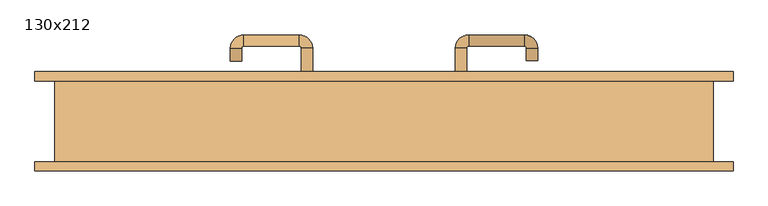
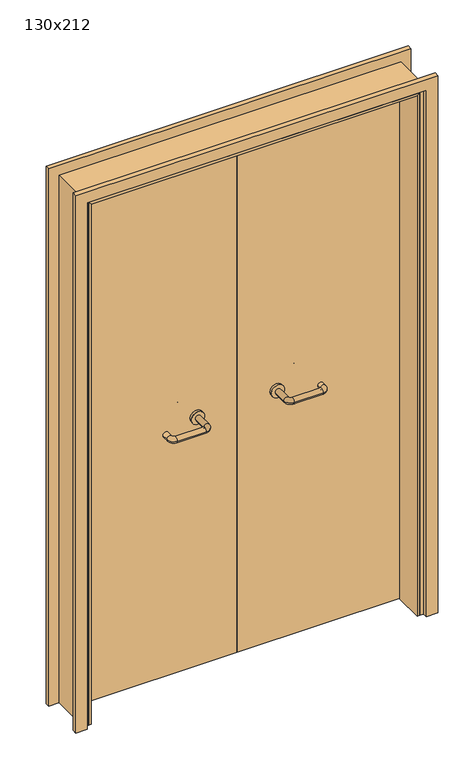
"""IFC4 building model written with IfcOpenShell, lengths in millimetres: door geometry, 130x212."""

from ifc_helpers import new_model, si_unit, point, frame, frame_2d, origin, place, context, project, spatial, polyline, circle_curve, ellipse_curve, trimmed, segment, composite_curve, outline, extrude, faceted_brep, source, transform, mapped, element, save
from ifc_brep_helpers import plane_surface, cylinder_surface, revolved_surface, advanced_brep


def door_130x212_73c28242(model_context):
    return source(origin(), model_context, "Body", "SolidModel", [
        faceted_brep([(-620.0, 33.0, 0.0), (-620.0, -79.9, 0.0), (-630.0, -79.9, 0.0), (-630.0, 33.0, 0.0), (-620.0, 33.0, 2090.0), (-620.0, -79.9, 2090.0), (-630.0, -79.9, 2100.0), (-630.0, 33.0, 2100.0), (620.0, 33.0, 0.0), (630.0, 33.0, 0.0), (630.0, -79.9, 0.0), (620.0, -79.9, 0.0), (620.0, 33.0, 2090.0), (630.0, 33.0, 2100.0), (630.0, -79.9, 2100.0), (620.0, -79.9, 2090.0)], [[[0, 1, 2, 3]], [[1, 0, 4, 5]], [[2, 1, 5, 6]], [[3, 2, 6, 7]], [[0, 3, 7, 4]], [[8, 9, 10, 11]], [[12, 13, 9, 8]], [[13, 14, 10, 9]], [[14, 15, 11, 10]], [[15, 12, 8, 11]], [[5, 4, 12, 15]], [[6, 5, 15, 14]], [[7, 6, 14, 13]], [[4, 7, 13, 12]]]),
        extrude(outline(polyline([(2159.0, 689.0), (2159.0, -689.0), (0.0, -689.0), (0.0, -645.0), (2115.0, -645.0), (2115.0, 645.0), (0.0, 645.0), (0.0, 689.0), (2159.0, 689.0)])), frame((0.0, 80.0, 0.0), z_axis=(0.0, 1.0, 0.0), x_axis=(0.0, 0.0, 1.0)), (0.0, 0.0, 1.0), 18.0),
        extrude(outline(polyline([(2159.0, -689.0), (0.0, -689.0), (0.0, -645.0), (2115.0, -645.0), (2115.0, 645.0), (0.0, 645.0), (0.0, 689.0), (2159.0, 689.0), (2159.0, -689.0)])), frame((0.0, -98.0, 0.0), z_axis=(0.0, 1.0, 0.0), x_axis=(0.0, 0.0, 1.0)), (0.0, 0.0, 1.0), 18.0),
        extrude(outline(polyline([(2120.0, -650.0), (0.0, -650.0), (0.0, -630.0), (2100.0, -630.0), (2100.0, 630.0), (0.0, 630.0), (0.0, 650.0), (2120.0, 650.0), (2120.0, -650.0)])), frame((0.0, -79.9, 0.0), z_axis=(0.0, 1.0, 0.0), x_axis=(0.0, 0.0, 1.0)), (0.0, 0.0, 1.0), 159.9),
        advanced_brep(
        [(140.99898, 26.0, 1003.0), (162.99898, 26.0, 1003.0), (140.99898, -29.3525369, 1003.0), (162.99898, -29.3525369, 1003.0), (166.99898, -33.3525369, 1003.0), (166.99898, -55.3525369, 1003.0), (276.99898, -55.3525369, 1003.0), (276.99898, -33.3525369, 1003.0), (280.99898, -29.3525369, 1003.0), (302.99898, -29.3525369, 1003.0), (302.99898, -12.0, 1003.0), (280.99898, -12.0, 1003.0)],
        [
            (0, 1, circle_curve(frame((151.99898, 26.0, 1003.0), z_axis=(0.0, 1.0, 0.0), x_axis=(1.0, 0.0, 0.0)), 11.0)),
            (1, 0, circle_curve(frame((151.99898, 26.0, 1003.0), z_axis=(0.0, 1.0, 0.0), x_axis=(1.0, 0.0, 0.0)), 11.0)),
            (0, 2),
            (2, 3, circle_curve(frame((151.99898, -29.3525369, 1003.0), z_axis=(0.0, 1.0, 0.0), x_axis=(1.0, 0.0, 0.0)), 11.0)),
            (3, 1),
            (3, 2, circle_curve(frame((151.99898, -29.3525369, 1003.0), z_axis=(0.0, 1.0, 0.0), x_axis=(1.0, 0.0, 0.0)), 11.0)),
            (4, 3, circle_curve(frame((166.99898, -29.3525369, 1003.0), z_axis=(0.0, 0.0, -1.0), x_axis=(-1.0, 0.0, 0.0)), 4.0)),
            (2, 5, circle_curve(frame((166.99898, -29.3525369, 1003.0), z_axis=(0.0, 0.0, 1.0), x_axis=(-1.0, 0.0, 0.0)), 26.0)),
            (5, 4, circle_curve(frame((166.99898, -44.3525369, 1003.0), z_axis=(-1.0, 0.0, 0.0), x_axis=(0.0, 1.0, 0.0)), 11.0)),
            (4, 5, circle_curve(frame((166.99898, -44.3525369, 1003.0), z_axis=(-1.0, 0.0, 0.0), x_axis=(0.0, 1.0, 0.0)), 11.0)),
            (5, 6),
            (6, 7, circle_curve(frame((276.99898, -44.3525369, 1003.0), z_axis=(-1.0, 0.0, 0.0), x_axis=(0.0, 1.0, 0.0)), 11.0)),
            (7, 4),
            (7, 6, circle_curve(frame((276.99898, -44.3525369, 1003.0), z_axis=(-1.0, 0.0, 0.0), x_axis=(0.0, 1.0, 0.0)), 11.0)),
            (8, 7, circle_curve(frame((276.99898, -29.3525369, 1003.0), z_axis=(0.0, 0.0, -1.0), x_axis=(0.0, -1.0, 0.0)), 4.0)),
            (6, 9, circle_curve(frame((276.99898, -29.3525369, 1003.0), z_axis=(0.0, 0.0, 1.0), x_axis=(0.0, -1.0, 0.0)), 26.0)),
            (9, 8, circle_curve(frame((291.99898, -29.3525369, 1003.0), z_axis=(0.0, -1.0, 0.0), x_axis=(-1.0, 0.0, 0.0)), 11.0)),
            (8, 9, circle_curve(frame((291.99898, -29.3525369, 1003.0), z_axis=(0.0, -1.0, 0.0), x_axis=(-1.0, 0.0, 0.0)), 11.0)),
            (10, 11, circle_curve(frame((291.99898, -12.0, 1003.0), z_axis=(0.0, 1.0, 0.0), x_axis=(-1.0, 0.0, 0.0)), 11.0)),
            (11, 10, circle_curve(frame((291.99898, -12.0, 1003.0), z_axis=(0.0, 1.0, 0.0), x_axis=(-1.0, 0.0, 0.0)), 11.0)),
            (9, 10),
            (11, 8),
        ],
        [
            plane_surface(frame((140.99898, 26.0, 1003.0), z_axis=(0.0, 1.0, 0.0), x_axis=(0.0, 0.0, -1.0))),
            cylinder_surface(frame((151.99898, 26.0, 1003.0), z_axis=(0.0, 1.0, 0.0), x_axis=(1.0, 0.0, 0.0)), 11.0),
            revolved_surface(trimmed(ellipse_curve(frame((151.99898, -29.3525369, 1003.0), z_axis=(0.0, 1.0, 0.0), x_axis=(1.0, 0.0, 0.0)), 11.0, 11.0), [point((140.99898, -29.3525369, 1003.0))], [point((162.99898, -29.3525369, 1003.0))], True, "CARTESIAN"), (166.99898, -29.3525369, 1003.0), (0.0, 0.0, 1.0)),
            revolved_surface(trimmed(ellipse_curve(frame((151.99898, -29.3525369, 1003.0), z_axis=(0.0, 1.0, 0.0), x_axis=(1.0, 0.0, 0.0)), 11.0, 11.0), [point((162.99898, -29.3525369, 1003.0))], [point((140.99898, -29.3525369, 1003.0))], True, "CARTESIAN"), (166.99898, -29.3525369, 1003.0), (0.0, 0.0, 1.0)),
            cylinder_surface(frame((166.99898, -44.3525369, 1003.0), z_axis=(-1.0, 0.0, 0.0), x_axis=(0.0, 1.0, 0.0)), 11.0),
            revolved_surface(trimmed(ellipse_curve(frame((276.99898, -44.3525369, 1003.0), z_axis=(-1.0, 0.0, 0.0), x_axis=(0.0, 1.0, 0.0)), 11.0, 11.0), [point((276.99898, -55.3525369, 1003.0))], [point((276.99898, -33.3525369, 1003.0))], True, "CARTESIAN"), (276.99898, -29.3525369, 1003.0), (0.0, 0.0, 1.0)),
            revolved_surface(trimmed(ellipse_curve(frame((276.99898, -44.3525369, 1003.0), z_axis=(-1.0, 0.0, 0.0), x_axis=(0.0, 1.0, 0.0)), 11.0, 11.0), [point((276.99898, -33.3525369, 1003.0))], [point((276.99898, -55.3525369, 1003.0))], True, "CARTESIAN"), (276.99898, -29.3525369, 1003.0), (0.0, 0.0, 1.0)),
            plane_surface(frame((280.99898, -12.0, 1003.0), z_axis=(0.0, 1.0, 0.0), x_axis=(0.0, 0.0, 1.0))),
            cylinder_surface(frame((291.99898, -29.3525369, 1003.0), z_axis=(0.0, -1.0, 0.0), x_axis=(-1.0, 0.0, 0.0)), 11.0),
        ],
        [
            (0, [[1, 2]]),
            (1, [[-1, 3, 4, 5]]),
            (1, [[-2, -5, 6, -3]]),
            (2, [[7, -4, 8, 9]]),
            (3, [[-8, -6, -7, 10]]),
            (4, [[-9, 11, 12, 13]]),
            (4, [[-10, -13, 14, -11]]),
            (5, [[15, -12, 16, 17]]),
            (6, [[-16, -14, -15, 18]]),
            (7, [[19, 20]]),
            (8, [[-17, 21, -20, 22]]),
            (8, [[-18, -22, -19, -21]]),
        ],
    ),
        extrude(outline(composite_curve([segment(trimmed(circle_curve(frame_2d((1003.0, 151.99898)), 25.0), [point((1003.0, 126.99898))], [point((1003.0, 176.99898))], False, "CARTESIAN"), True, "CONTINUOUS"), segment(trimmed(circle_curve(frame_2d((1003.0, 151.99898)), 25.0), [point((1003.0, 176.99898))], [point((1003.0, 126.99898))], False, "CARTESIAN"), True, "CONTINUOUS")], self_intersect=False)), frame((0.0, 26.0, 0.0), z_axis=(0.0, 1.0, 0.0), x_axis=(0.0, 0.0, 1.0)), (0.0, 0.0, 1.0), 10.0),
        advanced_brep(
        [(162.99898, 90.0, 1003.0), (140.99898, 90.0, 1003.0), (162.99898, 145.0, 1003.0), (140.99898, 145.0, 1003.0), (166.99898, 171.0, 1003.0), (166.99898, 149.0, 1003.0), (276.99898, 149.0, 1003.0), (276.99898, 171.0, 1003.0), (302.99898, 145.0, 1003.0), (280.99898, 145.0, 1003.0), (280.99898, 120.0, 1003.0), (302.99898, 120.0, 1003.0)],
        [
            (0, 1, circle_curve(frame((151.99898, 90.0, 1003.0), z_axis=(0.0, -1.0, 0.0), x_axis=(-1.0, 0.0, 0.0)), 11.0)),
            (1, 0, circle_curve(frame((151.99898, 90.0, 1003.0), z_axis=(0.0, -1.0, 0.0), x_axis=(-1.0, 0.0, 0.0)), 11.0)),
            (0, 2),
            (2, 3, circle_curve(frame((151.99898, 145.0, 1003.0), z_axis=(0.0, -1.0, 0.0), x_axis=(-1.0, 0.0, 0.0)), 11.0)),
            (3, 1),
            (3, 2, circle_curve(frame((151.99898, 145.0, 1003.0), z_axis=(0.0, -1.0, 0.0), x_axis=(-1.0, 0.0, 0.0)), 11.0)),
            (4, 3, circle_curve(frame((166.99898, 145.0, 1003.0), z_axis=(0.0, 0.0, 1.0), x_axis=(-1.0, 0.0, 0.0)), 26.0)),
            (2, 5, circle_curve(frame((166.99898, 145.0, 1003.0), z_axis=(0.0, 0.0, -1.0), x_axis=(-1.0, 0.0, 0.0)), 4.0)),
            (5, 4, circle_curve(frame((166.99898, 160.0, 1003.0), z_axis=(-1.0, 0.0, 0.0), x_axis=(0.0, 1.0, 0.0)), 11.0)),
            (4, 5, circle_curve(frame((166.99898, 160.0, 1003.0), z_axis=(-1.0, 0.0, 0.0), x_axis=(0.0, 1.0, 0.0)), 11.0)),
            (5, 6),
            (6, 7, circle_curve(frame((276.99898, 160.0, 1003.0), z_axis=(-1.0, 0.0, 0.0), x_axis=(0.0, 1.0, 0.0)), 11.0)),
            (7, 4),
            (7, 6, circle_curve(frame((276.99898, 160.0, 1003.0), z_axis=(-1.0, 0.0, 0.0), x_axis=(0.0, 1.0, 0.0)), 11.0)),
            (8, 7, circle_curve(frame((276.99898, 145.0, 1003.0), z_axis=(0.0, 0.0, 1.0), x_axis=(0.0, 1.0, 0.0)), 26.0)),
            (6, 9, circle_curve(frame((276.99898, 145.0, 1003.0), z_axis=(0.0, 0.0, -1.0), x_axis=(0.0, 1.0, 0.0)), 4.0)),
            (9, 8, circle_curve(frame((291.99898, 145.0, 1003.0), z_axis=(0.0, 1.0, 0.0), x_axis=(1.0, 0.0, 0.0)), 11.0)),
            (8, 9, circle_curve(frame((291.99898, 145.0, 1003.0), z_axis=(0.0, 1.0, 0.0), x_axis=(1.0, 0.0, 0.0)), 11.0)),
            (10, 11, circle_curve(frame((291.99898, 120.0, 1003.0), z_axis=(0.0, -1.0, 0.0), x_axis=(1.0, 0.0, 0.0)), 11.0)),
            (11, 10, circle_curve(frame((291.99898, 120.0, 1003.0), z_axis=(0.0, -1.0, 0.0), x_axis=(1.0, 0.0, 0.0)), 11.0)),
            (9, 10),
            (11, 8),
        ],
        [
            plane_surface(frame((140.99898, 90.0, 1003.0), z_axis=(0.0, -1.0, 0.0), x_axis=(0.0, 0.0, 1.0))),
            cylinder_surface(frame((151.99898, 90.0, 1003.0), z_axis=(0.0, -1.0, 0.0), x_axis=(-1.0, 0.0, 0.0)), 11.0),
            revolved_surface(trimmed(ellipse_curve(frame((151.99898, 145.0, 1003.0), z_axis=(0.0, -1.0, 0.0), x_axis=(-1.0, 0.0, 0.0)), 11.0, 11.0), [point((162.99898, 145.0, 1003.0))], [point((140.99898, 145.0, 1003.0))], True, "CARTESIAN"), (166.99898, 145.0, 1003.0), (0.0, 0.0, -1.0)),
            revolved_surface(trimmed(ellipse_curve(frame((151.99898, 145.0, 1003.0), z_axis=(0.0, -1.0, 0.0), x_axis=(-1.0, 0.0, 0.0)), 11.0, 11.0), [point((140.99898, 145.0, 1003.0))], [point((162.99898, 145.0, 1003.0))], True, "CARTESIAN"), (166.99898, 145.0, 1003.0), (0.0, 0.0, -1.0)),
            cylinder_surface(frame((166.99898, 160.0, 1003.0), z_axis=(-1.0, 0.0, 0.0), x_axis=(0.0, 1.0, 0.0)), 11.0),
            revolved_surface(trimmed(ellipse_curve(frame((276.99898, 160.0, 1003.0), z_axis=(-1.0, 0.0, 0.0), x_axis=(0.0, 1.0, 0.0)), 11.0, 11.0), [point((276.99898, 149.0, 1003.0))], [point((276.99898, 171.0, 1003.0))], True, "CARTESIAN"), (276.99898, 145.0, 1003.0), (0.0, 0.0, -1.0)),
            revolved_surface(trimmed(ellipse_curve(frame((276.99898, 160.0, 1003.0), z_axis=(-1.0, 0.0, 0.0), x_axis=(0.0, 1.0, 0.0)), 11.0, 11.0), [point((276.99898, 171.0, 1003.0))], [point((276.99898, 149.0, 1003.0))], True, "CARTESIAN"), (276.99898, 145.0, 1003.0), (0.0, 0.0, -1.0)),
            plane_surface(frame((280.99898, 120.0, 1003.0), z_axis=(0.0, -1.0, 0.0), x_axis=(0.0, 0.0, -1.0))),
            cylinder_surface(frame((291.99898, 145.0, 1003.0), z_axis=(0.0, 1.0, 0.0), x_axis=(1.0, 0.0, 0.0)), 11.0),
        ],
        [
            (0, [[1, 2]]),
            (1, [[-1, 3, 4, 5]]),
            (1, [[-2, -5, 6, -3]]),
            (2, [[7, -4, 8, 9]]),
            (3, [[-8, -6, -7, 10]]),
            (4, [[-9, 11, 12, 13]]),
            (4, [[-10, -13, 14, -11]]),
            (5, [[15, -12, 16, 17]]),
            (6, [[-16, -14, -15, 18]]),
            (7, [[19, 20]]),
            (8, [[-17, 21, -20, 22]]),
            (8, [[-18, -22, -19, -21]]),
        ],
    ),
        extrude(outline(composite_curve([segment(trimmed(circle_curve(frame_2d((1003.0, 151.99898)), 25.0), [point((1003.0, 176.99898))], [point((1003.0, 126.99898))], False, "CARTESIAN"), True, "CONTINUOUS"), segment(trimmed(circle_curve(frame_2d((1003.0, 151.99898)), 25.0), [point((1003.0, 126.99898))], [point((1003.0, 176.99898))], False, "CARTESIAN"), True, "CONTINUOUS")], self_intersect=False)), frame((0.0, 80.0, 0.0), z_axis=(0.0, 1.0, 0.0), x_axis=(0.0, 0.0, 1.0)), (0.0, 0.0, 1.0), 10.0),
        advanced_brep(
        [(-162.99898, 25.6886121, 1003.0), (-140.99898, 25.6886121, 1003.0), (-162.99898, -29.7220447, 1003.0), (-140.99898, -29.7220447, 1003.0), (-166.99898, -55.7220447, 1003.0), (-166.99898, -33.7220447, 1003.0), (-276.99898, -33.7220447, 1003.0), (-276.99898, -55.7220447, 1003.0), (-302.99898, -29.7220447, 1003.0), (-280.99898, -29.7220447, 1003.0), (-280.99898, -4.7220447, 1003.0), (-302.99898, -4.7220447, 1003.0)],
        [
            (0, 1, circle_curve(frame((-151.99898, 25.6886121, 1003.0), z_axis=(0.0, 1.0, 0.0), x_axis=(1.0, 0.0, 0.0)), 11.0)),
            (1, 0, circle_curve(frame((-151.99898, 25.6886121, 1003.0), z_axis=(0.0, 1.0, 0.0), x_axis=(1.0, 0.0, 0.0)), 11.0)),
            (0, 2),
            (2, 3, circle_curve(frame((-151.99898, -29.7220447, 1003.0), z_axis=(0.0, 1.0, 0.0), x_axis=(1.0, 0.0, 0.0)), 11.0)),
            (3, 1),
            (3, 2, circle_curve(frame((-151.99898, -29.7220447, 1003.0), z_axis=(0.0, 1.0, 0.0), x_axis=(1.0, 0.0, 0.0)), 11.0)),
            (4, 3, circle_curve(frame((-166.99898, -29.7220447, 1003.0), z_axis=(0.0, 0.0, 1.0), x_axis=(1.0, 0.0, 0.0)), 26.0)),
            (2, 5, circle_curve(frame((-166.99898, -29.7220447, 1003.0), z_axis=(0.0, 0.0, -1.0), x_axis=(1.0, 0.0, 0.0)), 4.0)),
            (5, 4, circle_curve(frame((-166.99898, -44.7220447, 1003.0), z_axis=(1.0, 0.0, 0.0), x_axis=(0.0, -1.0, 0.0)), 11.0)),
            (4, 5, circle_curve(frame((-166.99898, -44.7220447, 1003.0), z_axis=(1.0, 0.0, 0.0), x_axis=(0.0, -1.0, 0.0)), 11.0)),
            (5, 6),
            (6, 7, circle_curve(frame((-276.99898, -44.7220447, 1003.0), z_axis=(1.0, 0.0, 0.0), x_axis=(0.0, -1.0, 0.0)), 11.0)),
            (7, 4),
            (7, 6, circle_curve(frame((-276.99898, -44.7220447, 1003.0), z_axis=(1.0, 0.0, 0.0), x_axis=(0.0, -1.0, 0.0)), 11.0)),
            (8, 7, circle_curve(frame((-276.99898, -29.7220447, 1003.0), z_axis=(0.0, 0.0, 1.0), x_axis=(0.0, -1.0, 0.0)), 26.0)),
            (6, 9, circle_curve(frame((-276.99898, -29.7220447, 1003.0), z_axis=(0.0, 0.0, -1.0), x_axis=(0.0, -1.0, 0.0)), 4.0)),
            (9, 8, circle_curve(frame((-291.99898, -29.7220447, 1003.0), z_axis=(0.0, -1.0, 0.0), x_axis=(-1.0, 0.0, 0.0)), 11.0)),
            (8, 9, circle_curve(frame((-291.99898, -29.7220447, 1003.0), z_axis=(0.0, -1.0, 0.0), x_axis=(-1.0, 0.0, 0.0)), 11.0)),
            (10, 11, circle_curve(frame((-291.99898, -4.7220447, 1003.0), z_axis=(0.0, 1.0, 0.0), x_axis=(-1.0, 0.0, 0.0)), 11.0)),
            (11, 10, circle_curve(frame((-291.99898, -4.7220447, 1003.0), z_axis=(0.0, 1.0, 0.0), x_axis=(-1.0, 0.0, 0.0)), 11.0)),
            (9, 10),
            (11, 8),
        ],
        [
            plane_surface(frame((-162.99898, 25.6886121, 1003.0), z_axis=(0.0, 1.0, 0.0), x_axis=(0.0, 0.0, -1.0))),
            cylinder_surface(frame((-151.99898, 25.6886121, 1003.0), z_axis=(0.0, 1.0, 0.0), x_axis=(1.0, 0.0, 0.0)), 11.0),
            revolved_surface(trimmed(ellipse_curve(frame((-151.99898, -29.7220447, 1003.0), z_axis=(0.0, 1.0, 0.0), x_axis=(1.0, 0.0, 0.0)), 11.0, 11.0), [point((-162.99898, -29.7220447, 1003.0))], [point((-140.99898, -29.7220447, 1003.0))], True, "CARTESIAN"), (-166.99898, -29.7220447, 1003.0), (0.0, 0.0, -1.0)),
            revolved_surface(trimmed(ellipse_curve(frame((-151.99898, -29.7220447, 1003.0), z_axis=(0.0, 1.0, 0.0), x_axis=(1.0, 0.0, 0.0)), 11.0, 11.0), [point((-140.99898, -29.7220447, 1003.0))], [point((-162.99898, -29.7220447, 1003.0))], True, "CARTESIAN"), (-166.99898, -29.7220447, 1003.0), (0.0, 0.0, -1.0)),
            cylinder_surface(frame((-166.99898, -44.7220447, 1003.0), z_axis=(1.0, 0.0, 0.0), x_axis=(0.0, -1.0, 0.0)), 11.0),
            revolved_surface(trimmed(ellipse_curve(frame((-276.99898, -44.7220447, 1003.0), z_axis=(1.0, 0.0, 0.0), x_axis=(0.0, -1.0, 0.0)), 11.0, 11.0), [point((-276.99898, -33.7220447, 1003.0))], [point((-276.99898, -55.7220447, 1003.0))], True, "CARTESIAN"), (-276.99898, -29.7220447, 1003.0), (0.0, 0.0, -1.0)),
            revolved_surface(trimmed(ellipse_curve(frame((-276.99898, -44.7220447, 1003.0), z_axis=(1.0, 0.0, 0.0), x_axis=(0.0, -1.0, 0.0)), 11.0, 11.0), [point((-276.99898, -55.7220447, 1003.0))], [point((-276.99898, -33.7220447, 1003.0))], True, "CARTESIAN"), (-276.99898, -29.7220447, 1003.0), (0.0, 0.0, -1.0)),
            plane_surface(frame((-302.99898, -4.7220447, 1003.0), z_axis=(0.0, 1.0, 0.0), x_axis=(0.0, 0.0, 1.0))),
            cylinder_surface(frame((-291.99898, -29.7220447, 1003.0), z_axis=(0.0, -1.0, 0.0), x_axis=(-1.0, 0.0, 0.0)), 11.0),
        ],
        [
            (0, [[1, 2]]),
            (1, [[-1, 3, 4, 5]]),
            (1, [[-2, -5, 6, -3]]),
            (2, [[7, -4, 8, 9]]),
            (3, [[-8, -6, -7, 10]]),
            (4, [[-9, 11, 12, 13]]),
            (4, [[-10, -13, 14, -11]]),
            (5, [[15, -12, 16, 17]]),
            (6, [[-16, -14, -15, 18]]),
            (7, [[19, 20]]),
            (8, [[-17, 21, -20, 22]]),
            (8, [[-18, -22, -19, -21]]),
        ],
    ),
        extrude(outline(composite_curve([segment(trimmed(circle_curve(frame_2d((1003.0, -151.99898)), 25.0), [point((1003.0, -176.99898))], [point((1003.0, -126.99898))], False, "CARTESIAN"), True, "CONTINUOUS"), segment(trimmed(circle_curve(frame_2d((1003.0, -151.99898)), 25.0), [point((1003.0, -126.99898))], [point((1003.0, -176.99898))], False, "CARTESIAN"), True, "CONTINUOUS")], self_intersect=False)), frame((0.0, 25.6886121, 0.0), z_axis=(0.0, 1.0, 0.0), x_axis=(0.0, 0.0, 1.0)), (0.0, 0.0, 1.0), 10.3113879),
        advanced_brep(
        [(-140.99898, 89.5143417, 1003.0), (-162.99898, 89.5143417, 1003.0), (-140.99898, 144.6104656, 1003.0), (-162.99898, 144.6104656, 1003.0), (-166.99898, 148.6104656, 1003.0), (-166.99898, 170.6104656, 1003.0), (-276.99898, 170.6104656, 1003.0), (-276.99898, 148.6104656, 1003.0), (-280.99898, 144.6104656, 1003.0), (-302.99898, 144.6104656, 1003.0), (-302.99898, 119.6104656, 1003.0), (-280.99898, 119.6104656, 1003.0)],
        [
            (0, 1, circle_curve(frame((-151.99898, 89.5143417, 1003.0), z_axis=(0.0, -1.0, 0.0), x_axis=(-1.0, 0.0, 0.0)), 11.0)),
            (1, 0, circle_curve(frame((-151.99898, 89.5143417, 1003.0), z_axis=(0.0, -1.0, 0.0), x_axis=(-1.0, 0.0, 0.0)), 11.0)),
            (0, 2),
            (2, 3, circle_curve(frame((-151.99898, 144.6104656, 1003.0), z_axis=(0.0, -1.0, 0.0), x_axis=(-1.0, 0.0, 0.0)), 11.0)),
            (3, 1),
            (3, 2, circle_curve(frame((-151.99898, 144.6104656, 1003.0), z_axis=(0.0, -1.0, 0.0), x_axis=(-1.0, 0.0, 0.0)), 11.0)),
            (4, 3, circle_curve(frame((-166.99898, 144.6104656, 1003.0), z_axis=(0.0, 0.0, -1.0), x_axis=(1.0, 0.0, 0.0)), 4.0)),
            (2, 5, circle_curve(frame((-166.99898, 144.6104656, 1003.0), z_axis=(0.0, 0.0, 1.0), x_axis=(1.0, 0.0, 0.0)), 26.0)),
            (5, 4, circle_curve(frame((-166.99898, 159.6104656, 1003.0), z_axis=(1.0, 0.0, 0.0), x_axis=(0.0, -1.0, 0.0)), 11.0)),
            (4, 5, circle_curve(frame((-166.99898, 159.6104656, 1003.0), z_axis=(1.0, 0.0, 0.0), x_axis=(0.0, -1.0, 0.0)), 11.0)),
            (5, 6),
            (6, 7, circle_curve(frame((-276.99898, 159.6104656, 1003.0), z_axis=(1.0, 0.0, 0.0), x_axis=(0.0, -1.0, 0.0)), 11.0)),
            (7, 4),
            (7, 6, circle_curve(frame((-276.99898, 159.6104656, 1003.0), z_axis=(1.0, 0.0, 0.0), x_axis=(0.0, -1.0, 0.0)), 11.0)),
            (8, 7, circle_curve(frame((-276.99898, 144.6104656, 1003.0), z_axis=(0.0, 0.0, -1.0), x_axis=(0.0, 1.0, 0.0)), 4.0)),
            (6, 9, circle_curve(frame((-276.99898, 144.6104656, 1003.0), z_axis=(0.0, 0.0, 1.0), x_axis=(0.0, 1.0, 0.0)), 26.0)),
            (9, 8, circle_curve(frame((-291.99898, 144.6104656, 1003.0), z_axis=(0.0, 1.0, 0.0), x_axis=(1.0, 0.0, 0.0)), 11.0)),
            (8, 9, circle_curve(frame((-291.99898, 144.6104656, 1003.0), z_axis=(0.0, 1.0, 0.0), x_axis=(1.0, 0.0, 0.0)), 11.0)),
            (10, 11, circle_curve(frame((-291.99898, 119.6104656, 1003.0), z_axis=(0.0, -1.0, 0.0), x_axis=(1.0, 0.0, 0.0)), 11.0)),
            (11, 10, circle_curve(frame((-291.99898, 119.6104656, 1003.0), z_axis=(0.0, -1.0, 0.0), x_axis=(1.0, 0.0, 0.0)), 11.0)),
            (9, 10),
            (11, 8),
        ],
        [
            plane_surface(frame((-162.99898, 89.5143417, 1003.0), z_axis=(0.0, -1.0, 0.0), x_axis=(0.0, 0.0, 1.0))),
            cylinder_surface(frame((-151.99898, 89.5143417, 1003.0), z_axis=(0.0, -1.0, 0.0), x_axis=(-1.0, 0.0, 0.0)), 11.0),
            revolved_surface(trimmed(ellipse_curve(frame((-151.99898, 144.6104656, 1003.0), z_axis=(0.0, -1.0, 0.0), x_axis=(-1.0, 0.0, 0.0)), 11.0, 11.0), [point((-140.99898, 144.6104656, 1003.0))], [point((-162.99898, 144.6104656, 1003.0))], True, "CARTESIAN"), (-166.99898, 144.6104656, 1003.0), (0.0, 0.0, 1.0)),
            revolved_surface(trimmed(ellipse_curve(frame((-151.99898, 144.6104656, 1003.0), z_axis=(0.0, -1.0, 0.0), x_axis=(-1.0, 0.0, 0.0)), 11.0, 11.0), [point((-162.99898, 144.6104656, 1003.0))], [point((-140.99898, 144.6104656, 1003.0))], True, "CARTESIAN"), (-166.99898, 144.6104656, 1003.0), (0.0, 0.0, 1.0)),
            cylinder_surface(frame((-166.99898, 159.6104656, 1003.0), z_axis=(1.0, 0.0, 0.0), x_axis=(0.0, -1.0, 0.0)), 11.0),
            revolved_surface(trimmed(ellipse_curve(frame((-276.99898, 159.6104656, 1003.0), z_axis=(1.0, 0.0, 0.0), x_axis=(0.0, -1.0, 0.0)), 11.0, 11.0), [point((-276.99898, 170.6104656, 1003.0))], [point((-276.99898, 148.6104656, 1003.0))], True, "CARTESIAN"), (-276.99898, 144.6104656, 1003.0), (0.0, 0.0, 1.0)),
            revolved_surface(trimmed(ellipse_curve(frame((-276.99898, 159.6104656, 1003.0), z_axis=(1.0, 0.0, 0.0), x_axis=(0.0, -1.0, 0.0)), 11.0, 11.0), [point((-276.99898, 148.6104656, 1003.0))], [point((-276.99898, 170.6104656, 1003.0))], True, "CARTESIAN"), (-276.99898, 144.6104656, 1003.0), (0.0, 0.0, 1.0)),
            plane_surface(frame((-302.99898, 119.6104656, 1003.0), z_axis=(0.0, -1.0, 0.0), x_axis=(0.0, 0.0, -1.0))),
            cylinder_surface(frame((-291.99898, 144.6104656, 1003.0), z_axis=(0.0, 1.0, 0.0), x_axis=(1.0, 0.0, 0.0)), 11.0),
        ],
        [
            (0, [[1, 2]]),
            (1, [[-1, 3, 4, 5]]),
            (1, [[-2, -5, 6, -3]]),
            (2, [[7, -4, 8, 9]]),
            (3, [[-8, -6, -7, 10]]),
            (4, [[-9, 11, 12, 13]]),
            (4, [[-10, -13, 14, -11]]),
            (5, [[15, -12, 16, 17]]),
            (6, [[-16, -14, -15, 18]]),
            (7, [[19, 20]]),
            (8, [[-17, 21, -20, 22]]),
            (8, [[-18, -22, -19, -21]]),
        ],
    ),
        extrude(outline(composite_curve([segment(trimmed(circle_curve(frame_2d((1003.0, -151.99898)), 25.0), [point((1003.0, -126.99898))], [point((1003.0, -176.99898))], False, "CARTESIAN"), True, "CONTINUOUS"), segment(trimmed(circle_curve(frame_2d((1003.0, -151.99898)), 25.0), [point((1003.0, -176.99898))], [point((1003.0, -126.99898))], False, "CARTESIAN"), True, "CONTINUOUS")], self_intersect=False)), frame((0.0, 80.0, 0.0), z_axis=(0.0, 1.0, 0.0), x_axis=(0.0, 0.0, 1.0)), (0.0, 0.0, 1.0), 9.5143417),
        extrude(outline(polyline([(1.0739506, 36.0), (-627.0, 36.0), (-627.0, 80.0), (1.0739506, 80.0), (1.0739506, 36.0)])), frame((0.0, 0.0, 1.753223), z_axis=(0.0, 0.0, 1.0), x_axis=(1.0, 0.0, 0.0)), (0.0, 0.0, 1.0), 2098.246777),
        extrude(outline(polyline([(627.0, 36.0), (1.0739506, 36.0), (1.0739506, 80.0), (627.0, 80.0), (627.0, 36.0)])), frame((0.0, 0.0, 1.753223), z_axis=(0.0, 0.0, 1.0), x_axis=(1.0, 0.0, 0.0)), (0.0, 0.0, 1.0), 2098.246777),
    ])


if __name__ == "__main__":
    model = new_model("IFC4")
    model_context = context("Model", 3, world=origin())
    ifc_project = project(units=[si_unit("LENGTHUNIT", "METRE", prefix="MILLI")], contexts=[model_context])
    site = spatial("IfcSite", under=ifc_project)
    building = spatial("IfcBuilding", under=site)
    placement = place(None, origin())
    door_130x212_shape = door_130x212_73c28242(model_context)
    element("IfcDoor", 1, ObjectType="130x212", at=placement, inside=building, context=model_context, shape_type="MappedRepresentation", body=[
        mapped(door_130x212_shape, transform((0.0, 0.0, 0.0), x_axis=(1.0, 0.0, 0.0), y_axis=(0.0, 1.0, 0.0), z_axis=(0.0, 0.0, 1.0))),
    ])
    save(model, "model.ifc")
